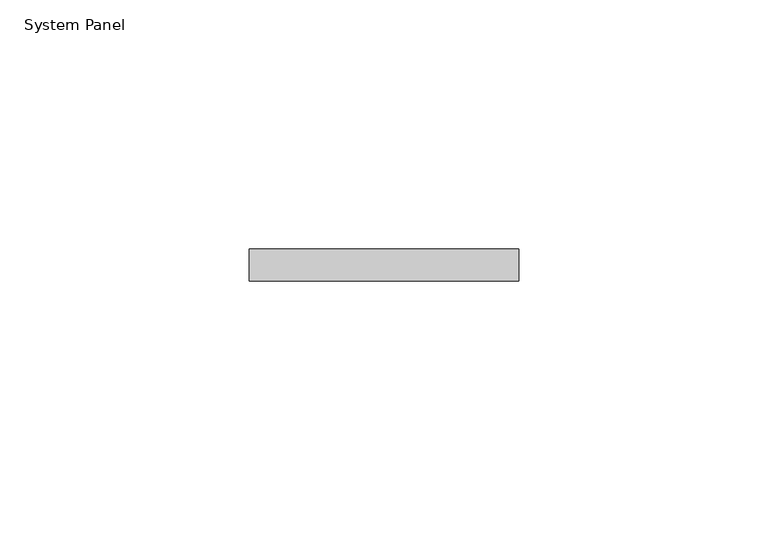
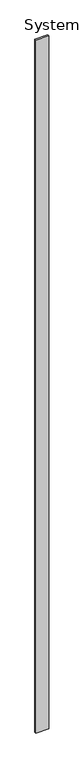
"""IFC4 building model written with IfcOpenShell, lengths in millimetres: plate geometry, System Panel."""

import ifcopenshell
import ifcopenshell.guid

model = None  # the IFC model being written
_history = None  # IfcOwnerHistory: only IFC2X3 demands one
_inside = {}  # id of a spatial element -> (the spatial element, [elements in it])
_under = {}  # id of a project, library or spatial element -> (it, [spatial elements below it])
_declared = {}  # id of a project -> (the project, [libraries it declares])
_typed = {}  # id of a type object -> (the type object, [elements of that type])
_made_of = {}  # id of a material, layer set ... -> (it, [elements and type objects made of it])


def new_model(schema):
    """Start an empty IFC model of exactly this schema.

    Asked for "IFC4X3", IfcOpenShell would pick the latest addendum, in which some entities
    have other attributes; the version numbers below select the first issue.
    IFC2X3 requires an IfcOwnerHistory on every rooted entity: one is made here for all.
    """
    global model, _history
    if schema == "IFC4X3":
        model = ifcopenshell.file(schema_version=(4, 3, 0, 0))
    else:
        model = ifcopenshell.file(schema=schema)
    _inside.clear()
    _under.clear()
    _declared.clear()
    _typed.clear()
    _made_of.clear()
    _history = None
    if model.schema == "IFC2X3":
        org = make("IfcOrganization", Name="unknown")
        user = make(
            "IfcPersonAndOrganization",
            ThePerson=make("IfcPerson", FamilyName="unknown"),
            TheOrganization=org,
        )
        app = make(
            "IfcApplication",
            ApplicationDeveloper=org,
            Version="unknown",
            ApplicationFullName="unknown",
            ApplicationIdentifier="unknown",
        )
        _history = make(
            "IfcOwnerHistory",
            OwningUser=user,
            OwningApplication=app,
            ChangeAction="ADDED",
            CreationDate=0,
        )
    return model


def make(cls, **values):
    """One entity of the class cls with the attributes given. An attribute that is None is left unset."""
    return model.create_entity(
        cls, **{name: value for name, value in values.items() if value is not None}
    )


def rooted(cls, **values):
    """An entity with a GlobalId (a new one), such as an element, a storey or a relation."""
    return make(cls, GlobalId=ifcopenshell.guid.new(), OwnerHistory=_history, **values)


def si_unit(unit_type, name, prefix=None):
    """IfcSIUnit, for example si_unit("LENGTHUNIT", "METRE", prefix="MILLI")."""
    return make("IfcSIUnit", UnitType=unit_type, Prefix=prefix, Name=name)


def assignment(units):
    """IfcUnitAssignment: the units of a project."""
    return None if units is None else make("IfcUnitAssignment", Units=units)


def point(xyz):
    """IfcCartesianPoint."""
    return None if xyz is None else make("IfcCartesianPoint", Coordinates=xyz)


def direction(xyz):
    """IfcDirection."""
    return None if xyz is None else make("IfcDirection", DirectionRatios=xyz)


def frame(location, z_axis=None, x_axis=None):
    """IfcAxis2Placement3D, a coordinate frame: its origin and axes. An axis left out is left unset."""
    return make(
        "IfcAxis2Placement3D",
        Location=point(location),
        Axis=direction(z_axis),
        RefDirection=direction(x_axis),
    )


def origin():
    """The frame at (0, 0, 0) with its axes left unset."""
    return frame((0.0, 0.0, 0.0))


def origin_with_axes():
    """The frame at (0, 0, 0) with the z axis (0, 0, 1) and the x axis (1, 0, 0) written out."""
    return frame((0.0, 0.0, 0.0), z_axis=(0.0, 0.0, 1.0), x_axis=(1.0, 0.0, 0.0))


def place(relative_to, where):
    """IfcLocalPlacement: puts the frame where relative to a parent placement (None: the world)."""
    return make(
        "IfcLocalPlacement", PlacementRelTo=relative_to, RelativePlacement=where
    )


def context(
    kind, dimensions, precision=None, world=None, true_north=None, identifier=None
):
    """IfcGeometricRepresentationContext, for example the 3D "Model" context."""
    return make(
        "IfcGeometricRepresentationContext",
        ContextIdentifier=identifier,
        ContextType=kind,
        CoordinateSpaceDimension=dimensions,
        Precision=precision,
        WorldCoordinateSystem=world,
        TrueNorth=true_north,
    )


def project(units=None, contexts=None):
    """IfcProject with its units and contexts."""
    return rooted(
        "IfcProject",
        Name="project",
        RepresentationContexts=contexts,
        UnitsInContext=assignment(units),
    )


def spatial(cls, under=None, at=None, **own):
    """A site, building, storey or space (cls), placed at a placement, below another one or the project."""
    s = rooted(cls, ObjectPlacement=at, **own)
    if under is not None:
        _under.setdefault(under.id(), (under, []))[1].append(s)
    return s


def polyline(points):
    """IfcPolyline through the points."""
    return make("IfcPolyline", Points=[point(p) for p in points])


def outline(outer, holes=None, kind="AREA"):
    """IfcArbitraryClosedProfileDef: a profile drawn as a closed curve; with holes, ...WithVoids."""
    if holes is None:
        return make("IfcArbitraryClosedProfileDef", ProfileType=kind, OuterCurve=outer)
    return make(
        "IfcArbitraryProfileDefWithVoids",
        ProfileType=kind,
        OuterCurve=outer,
        InnerCurves=holes,
    )


def extrude(swept, where, along, depth):
    """IfcExtrudedAreaSolid: the profile swept, set in the frame where, extruded along a direction by depth."""
    return make(
        "IfcExtrudedAreaSolid",
        SweptArea=swept,
        Position=where,
        ExtrudedDirection=direction(along),
        Depth=depth,
    )


def shape(context_of_items, identifier, shape_type, items):
    """IfcShapeRepresentation: the items that make up one representation, for example the "Body"."""
    return make(
        "IfcShapeRepresentation",
        ContextOfItems=context_of_items,
        RepresentationIdentifier=identifier,
        RepresentationType=shape_type,
        Items=items,
    )


def source(mapping_origin, context_of_items, identifier, shape_type, items):
    """IfcRepresentationMap: a shape defined once, which mapped items show again and again."""
    return make(
        "IfcRepresentationMap",
        MappingOrigin=mapping_origin,
        MappedRepresentation=shape(context_of_items, identifier, shape_type, items),
    )


def transform(
    local_origin,
    x_axis=None,
    y_axis=None,
    z_axis=None,
    scale=None,
    scale2=None,
    scale3=None,
    uniform=True,
):
    """IfcCartesianTransformationOperator3D, or its non-uniform kind. x_axis, y_axis, z_axis: its Axis1, 2, 3."""
    if uniform:
        return make(
            "IfcCartesianTransformationOperator3D",
            Axis1=direction(x_axis),
            Axis2=direction(y_axis),
            LocalOrigin=point(local_origin),
            Scale=scale,
            Axis3=direction(z_axis),
        )
    return make(
        "IfcCartesianTransformationOperator3DnonUniform",
        Axis1=direction(x_axis),
        Axis2=direction(y_axis),
        LocalOrigin=point(local_origin),
        Scale=scale,
        Axis3=direction(z_axis),
        Scale2=scale2,
        Scale3=scale3,
    )


def mapped(mapping_source, mapping_target):
    """IfcMappedItem: shows the shape of a source again, moved by a transform."""
    return make(
        "IfcMappedItem", MappingSource=mapping_source, MappingTarget=mapping_target
    )


def made_of(thing, what):
    """Note that an element or type object is made of a material, layer set ...; save() writes the relation."""
    if what is not None:
        _made_of.setdefault(what.id(), (what, []))[1].append(thing)
    return thing


def element(
    cls,
    number,
    at=None,
    inside=None,
    cuts=None,
    type_object=None,
    material=None,
    context=None,
    identifier="Body",
    shape_type=None,
    held_by="IfcProductDefinitionShape",
    body=None,
    shapes=None,
    **own,
):
    """One element of the class cls, such as IfcWall. Its Tag is "e" and its number.

    at: its placement. inside: the storey or other place that contains it. cuts: it is an
    opening in that element (IfcRelVoidsElement). A single representation is given by context,
    identifier, shape_type and body (its items); several are given by shapes. held_by: the class
    of the entity that holds the representations. save() writes the other relations.
    """
    e = rooted(cls, Tag="e%d" % number, ObjectPlacement=at, **own)
    if body is not None:
        shapes = [shape(context, identifier, shape_type, body)]
    if shapes is not None:
        e.Representation = make(held_by, Representations=shapes)
    if inside is not None:
        _inside.setdefault(inside.id(), (inside, []))[1].append(e)
    if cuts is not None:
        rooted(
            "IfcRelVoidsElement", RelatingBuildingElement=cuts, RelatedOpeningElement=e
        )
    if type_object is not None:
        _typed.setdefault(type_object.id(), (type_object, []))[1].append(e)
    return made_of(e, material)


def aggregate(whole, parts):
    """IfcRelAggregates: a whole, such as a stair, and the parts it consists of."""
    return rooted("IfcRelAggregates", RelatingObject=whole, RelatedObjects=parts)


def save(model, path):
    """Write the relations noted so far, then the file.

    IfcRelAggregates (storeys below a building ...), IfcRelContainedInSpatialStructure (elements
    in a storey), IfcRelDefinesByType, IfcRelAssociatesMaterial and IfcRelDeclares: one each for
    every whole, place, type object, material and project.
    """
    for whole, parts in _under.values():
        aggregate(whole, parts)
    for where, things in _inside.values():
        rooted(
            "IfcRelContainedInSpatialStructure",
            RelatedElements=things,
            RelatingStructure=where,
        )
    for kind, things in _typed.values():
        rooted("IfcRelDefinesByType", RelatedObjects=things, RelatingType=kind)
    for what, things in _made_of.values():
        rooted("IfcRelAssociatesMaterial", RelatedObjects=things, RelatingMaterial=what)
    for by, libraries in _declared.values():
        rooted("IfcRelDeclares", RelatingContext=by, RelatedDefinitions=libraries)
    model.write(path)


def system_panel_185e3d10(model_context):
    return source(origin(), model_context, "Body", "SweptSolid", [
        extrude(outline(polyline([(26.9893066, -6.35), (-26.9893066, -6.35), (-26.9893066, 0.0), (26.9893066, 0.0), (26.9893066, -6.35)])), origin_with_axes(), (0.0, 0.0, 1.0), 3048.0),
    ])


if __name__ == "__main__":
    model = new_model("IFC4")
    model_context = context("Model", 3, world=origin())
    ifc_project = project(units=[si_unit("LENGTHUNIT", "METRE", prefix="MILLI")], contexts=[model_context])
    site = spatial("IfcSite", under=ifc_project)
    building = spatial("IfcBuilding", under=site)
    placement = place(None, origin())
    system_panel_shape = system_panel_185e3d10(model_context)
    element("IfcPlate", 1, ObjectType="System Panel", at=placement, inside=building, context=model_context, shape_type="MappedRepresentation", body=[
        mapped(system_panel_shape, transform((0.0, 0.0, 0.0), x_axis=(1.0, 0.0, 0.0), y_axis=(0.0, 1.0, 0.0), z_axis=(0.0, 0.0, 1.0))),
    ])
    save(model, "model.ifc")
